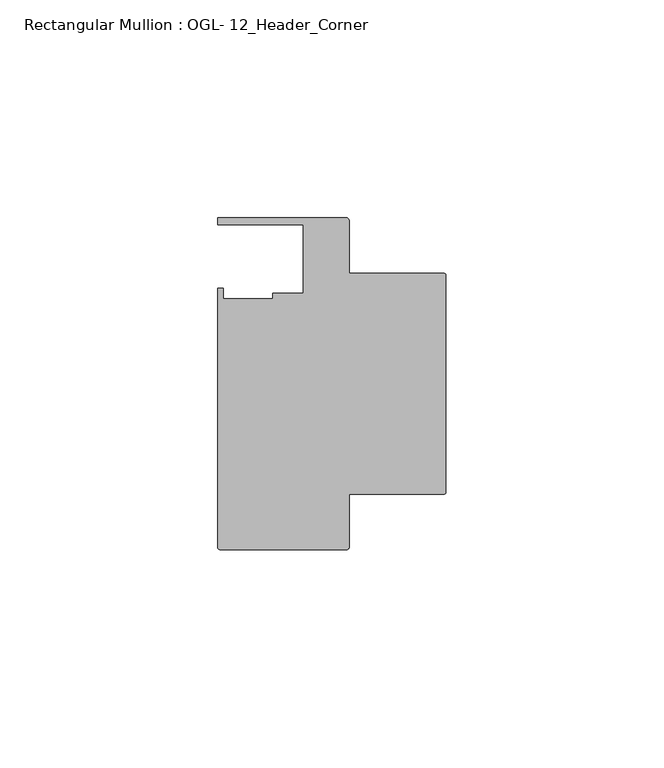
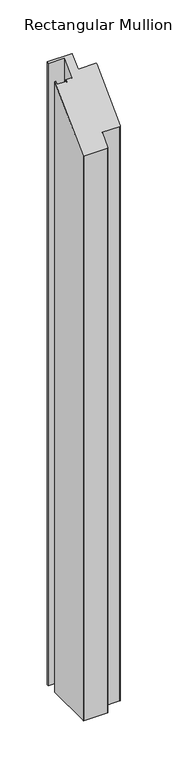
"""IFC4 building model written with IfcOpenShell, lengths in millimetres: member geometry, Rectangular Mullion : OGL- 12_Header_Corner."""

from ifc_helpers import new_model, si_unit, frame, origin, place, context, project, spatial, circle_curve, ellipse_curve, source, transform, mapped, element, save
from ifc_brep_helpers import plane_surface, cylinder_surface, advanced_brep


def rectangular_mullion_ogl_12_header_corner_7f552128(model_context):
    return source(origin(), model_context, "Body", "AdvancedBrep", [
        advanced_brep(
        [(-0.5953125, -55.5625, -795.8666667), (-22.2332898, -55.5625, -795.8666667), (-22.2332898, -67.6668667, -795.8666667), (-22.8286023, -68.2621792, -795.8666667), (-51.7968699, -68.2621792, -795.8666667), (-52.3921824, -67.6668667, -795.8666667), (-52.3921824, -8.1914024, -795.8666667), (-51.1362531, -8.1914024, -795.8666667), (-51.1362531, -10.6800725, -795.8666667), (-39.7567771, -10.6800725, -795.8666667), (-39.7567771, -9.3367652, -795.8666667), (-32.730302, -9.3367652, -795.8666667), (-32.730302, 6.350016, -795.8666667), (-52.3830881, 6.350016, -795.8666667), (-52.3830881, 7.937516, -795.8666667), (-22.8763468, 7.937516, -795.8666667), (-22.2332898, 7.294459, -795.8666667), (-22.2332898, -4.7625, -795.8666667), (-0.5953125, -4.7625, -795.8666667), (0.0, -5.3578125, -795.8666667), (0.0, -54.9671875, -795.8666667), (0.0, -54.9671875, -54.9671875), (-0.5953125, -55.5625, -55.5625), (0.0, -5.3578125, -5.3578125), (-0.5953125, -4.7625, -4.7625), (-22.2332898, -4.7625, -4.7625), (-22.2332898, 7.294459, 7.294459), (-22.8763468, 7.937516, 7.937516), (-52.3830881, 7.937516, 7.937516), (-52.3830881, 6.350016, 6.350016), (-32.730302, 6.350016, 6.350016), (-32.730302, -9.3367652, -9.3367652), (-39.7567771, -9.3367652, -9.3367652), (-39.7567771, -10.6800725, -10.6800725), (-51.1362531, -10.6800725, -10.6800725), (-51.1362531, -8.1914024, -8.1914024), (-52.3921824, -8.1914024, -8.1914024), (-52.3921824, -67.6668667, -67.6668667), (-51.7968699, -68.2621792, -68.2621792), (-22.8286023, -68.2621792, -68.2621792), (-22.2332898, -67.6668667, -67.6668667), (-22.2332898, -55.5625, -55.5625)],
        [
            (0, 1),
            (1, 2),
            (2, 3, circle_curve(frame((-22.8286023, -67.6668667, -795.8666667), z_axis=(0.0, 0.0, -1.0), x_axis=(1.0, 0.0, 0.0)), 0.5953125)),
            (3, 4),
            (4, 5, circle_curve(frame((-51.7968699, -67.6668667, -795.8666667), z_axis=(0.0, 0.0, -1.0), x_axis=(1.0, 0.0, 0.0)), 0.5953125)),
            (5, 6),
            (6, 7),
            (7, 8),
            (8, 9),
            (9, 10),
            (10, 11),
            (11, 12),
            (12, 13),
            (13, 14),
            (14, 15),
            (15, 16, circle_curve(frame((-22.8763468, 7.294459, -795.8666667), z_axis=(0.0, 0.0, -1.0), x_axis=(1.0, 0.0, 0.0)), 0.643057)),
            (16, 17),
            (17, 18),
            (18, 19, circle_curve(frame((-0.5953125, -5.3578125, -795.8666667), z_axis=(0.0, 0.0, -1.0), x_axis=(1.0, 0.0, 0.0)), 0.5953125)),
            (19, 20),
            (20, 0, circle_curve(frame((-0.5953125, -54.9671875, -795.8666667), z_axis=(0.0, 0.0, -1.0), x_axis=(0.0, -1.0, 0.0)), 0.5953125)),
            (21, 22, ellipse_curve(frame((-0.5953125, -54.9671875, -54.9671875), z_axis=(0.0, 0.7071067811865465, -0.7071067811865486), x_axis=(0.0, 0.7071067811865485, 0.7071067811865466)), 0.841899, 0.5953125)),
            (22, 0),
            (20, 21),
            (23, 21),
            (19, 23),
            (24, 23, ellipse_curve(frame((-0.5953125, -5.3578125, -5.3578125), z_axis=(0.0, 0.7071067811865465, -0.7071067811865486), x_axis=(0.0, 0.7071067811865485, 0.7071067811865466)), 0.841899, 0.5953125)),
            (18, 24),
            (25, 24),
            (17, 25),
            (26, 25),
            (16, 26),
            (27, 26, ellipse_curve(frame((-22.8763468, 7.294459, 7.294459), z_axis=(0.0, 0.7071067811865465, -0.7071067811865486), x_axis=(0.0, 0.7071067811865485, 0.7071067811865466)), 0.9094199, 0.643057)),
            (15, 27),
            (28, 27),
            (14, 28),
            (29, 28),
            (13, 29),
            (30, 29),
            (12, 30),
            (31, 30),
            (11, 31),
            (32, 31),
            (10, 32),
            (33, 32),
            (9, 33),
            (34, 33),
            (8, 34),
            (35, 34),
            (7, 35),
            (36, 35),
            (6, 36),
            (37, 36),
            (5, 37),
            (38, 37, ellipse_curve(frame((-51.7968699, -67.6668667, -67.6668667), z_axis=(0.0, 0.7071067811865465, -0.7071067811865486), x_axis=(0.0, 0.7071067811865485, 0.7071067811865466)), 0.841899, 0.5953125)),
            (4, 38),
            (39, 38),
            (3, 39),
            (40, 39, ellipse_curve(frame((-22.8286023, -67.6668667, -67.6668667), z_axis=(0.0, 0.7071067811865465, -0.7071067811865486), x_axis=(0.0, 0.7071067811865485, 0.7071067811865466)), 0.841899, 0.5953125)),
            (2, 40),
            (41, 40),
            (1, 41),
            (22, 41),
        ],
        [
            plane_surface(frame((0.0, -85.8058936, -795.8666667), z_axis=(0.0, 0.0, -1.0), x_axis=(-1.0, 0.0, 0.0))),
            cylinder_surface(frame((-0.5953125, -54.9671875, 0.0), z_axis=(0.0, 0.0, 1.0), x_axis=(0.0, -1.0, 0.0)), 0.5953125),
            plane_surface(frame((0.0, -54.9671875, 0.0), z_axis=(1.0, 0.0, 0.0), x_axis=(0.0, 0.0, -1.0))),
            cylinder_surface(frame((-0.5953125, -5.3578125, 0.0), z_axis=(0.0, 0.0, 1.0), x_axis=(1.0, 0.0, 0.0)), 0.5953125),
            plane_surface(frame((-0.5953125, -4.7625, 0.0), z_axis=(0.0, 1.0, 0.0), x_axis=(0.0, 0.0, -1.0))),
            plane_surface(frame((-22.2332898, -4.7625, 0.0), z_axis=(1.0, 0.0, 0.0), x_axis=(0.0, 0.0, -1.0))),
            cylinder_surface(frame((-22.8763468, 7.294459, 0.0), z_axis=(0.0, 0.0, 1.0), x_axis=(1.0, 0.0, 0.0)), 0.643057),
            plane_surface(frame((-22.8763468, 7.937516, 0.0), z_axis=(0.0, 1.0, 0.0), x_axis=(0.0, 0.0, -1.0))),
            plane_surface(frame((-52.3830881, 7.937516, 0.0), z_axis=(-1.0, 0.0, 0.0), x_axis=(0.0, 0.0, -1.0))),
            plane_surface(frame((-52.3830881, 6.350016, 0.0), z_axis=(0.0, -1.0, 0.0), x_axis=(0.0, 0.0, -1.0))),
            plane_surface(frame((-32.730302, 6.350016, 0.0), z_axis=(-1.0, 0.0, 0.0), x_axis=(0.0, 0.0, -1.0))),
            plane_surface(frame((-32.730302, -9.3367652, 0.0), z_axis=(0.0, 1.0, 0.0), x_axis=(0.0, 0.0, -1.0))),
            plane_surface(frame((-39.7567771, -9.3367652, 0.0), z_axis=(-1.0, 0.0, 0.0), x_axis=(0.0, 0.0, -1.0))),
            plane_surface(frame((-39.7567771, -10.6800725, 0.0), z_axis=(0.0, 1.0, 0.0), x_axis=(0.0, 0.0, -1.0))),
            plane_surface(frame((-51.1362531, -10.6800725, 0.0), z_axis=(1.0, 0.0, 0.0), x_axis=(0.0, 0.0, -1.0))),
            plane_surface(frame((-51.1362531, -8.1914024, 0.0), z_axis=(0.0, 1.0, 0.0), x_axis=(0.0, 0.0, -1.0))),
            plane_surface(frame((-52.3921824, -8.1914024, 0.0), z_axis=(-1.0, 0.0, 0.0), x_axis=(0.0, 0.0, -1.0))),
            cylinder_surface(frame((-51.7968699, -67.6668667, 0.0), z_axis=(0.0, 0.0, 1.0), x_axis=(1.0, 0.0, 0.0)), 0.5953125),
            plane_surface(frame((-51.7968699, -68.2621792, 0.0), z_axis=(0.0, -1.0, 0.0), x_axis=(0.0, 0.0, -1.0))),
            cylinder_surface(frame((-22.8286023, -67.6668667, 0.0), z_axis=(0.0, 0.0, 1.0), x_axis=(1.0, 0.0, 0.0)), 0.5953125),
            plane_surface(frame((-22.2332898, -67.6668667, 0.0), z_axis=(1.0, 0.0, 0.0), x_axis=(0.0, 0.0, -1.0))),
            plane_surface(frame((-22.2332898, -55.5625, 0.0), z_axis=(0.0, -1.0, 0.0), x_axis=(0.0, 0.0, -1.0))),
            plane_surface(frame((304.8, 0.0, 0.0), z_axis=(0.0, -0.7071067811865465, 0.7071067811865486), x_axis=(0.0, -0.7071067811865486, -0.7071067811865465))),
        ],
        [
            (0, [[1, 2, 3, 4, 5, 6, 7, 8, 9, 10, 11, 12, 13, 14, 15, 16, 17, 18, 19, 20, 21]]),
            (1, [[22, 23, -21, 24]]),
            (2, [[25, -24, -20, 26]]),
            (3, [[27, -26, -19, 28]]),
            (4, [[29, -28, -18, 30]]),
            (5, [[31, -30, -17, 32]]),
            (6, [[33, -32, -16, 34]]),
            (7, [[35, -34, -15, 36]]),
            (8, [[37, -36, -14, 38]]),
            (9, [[39, -38, -13, 40]]),
            (10, [[41, -40, -12, 42]]),
            (11, [[43, -42, -11, 44]]),
            (12, [[45, -44, -10, 46]]),
            (13, [[47, -46, -9, 48]]),
            (14, [[49, -48, -8, 50]]),
            (15, [[51, -50, -7, 52]]),
            (16, [[53, -52, -6, 54]]),
            (17, [[55, -54, -5, 56]]),
            (18, [[57, -56, -4, 58]]),
            (19, [[59, -58, -3, 60]]),
            (20, [[61, -60, -2, 62]]),
            (21, [[63, -62, -1, -23]]),
            (22, [[-22, -25, -27, -29, -31, -33, -35, -37, -39, -41, -43, -45, -47, -49, -51, -53, -55, -57, -59, -61, -63]]),
        ],
    ),
    ])


if __name__ == "__main__":
    model = new_model("IFC4")
    model_context = context("Model", 3, world=origin())
    ifc_project = project(units=[si_unit("LENGTHUNIT", "METRE", prefix="MILLI")], contexts=[model_context])
    site = spatial("IfcSite", under=ifc_project)
    building = spatial("IfcBuilding", under=site)
    placement = place(None, origin())
    rectangular_mullion_ogl_12_header_corner_shape = rectangular_mullion_ogl_12_header_corner_7f552128(model_context)
    element("IfcMember", 1, ObjectType="Rectangular Mullion : OGL- 12_Header_Corner", at=placement, inside=building, context=model_context, shape_type="MappedRepresentation", body=[
        mapped(rectangular_mullion_ogl_12_header_corner_shape, transform((0.0, 0.0, 0.0), x_axis=(1.0, 0.0, 0.0), y_axis=(0.0, 1.0, 0.0), z_axis=(0.0, 0.0, 1.0))),
    ])
    save(model, "model.ifc")
